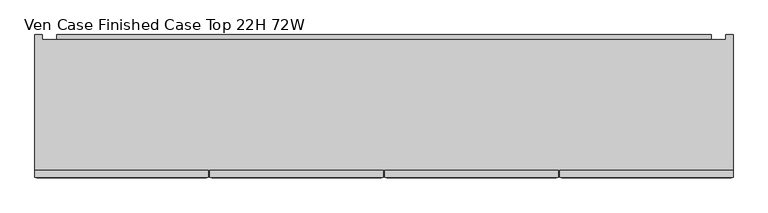
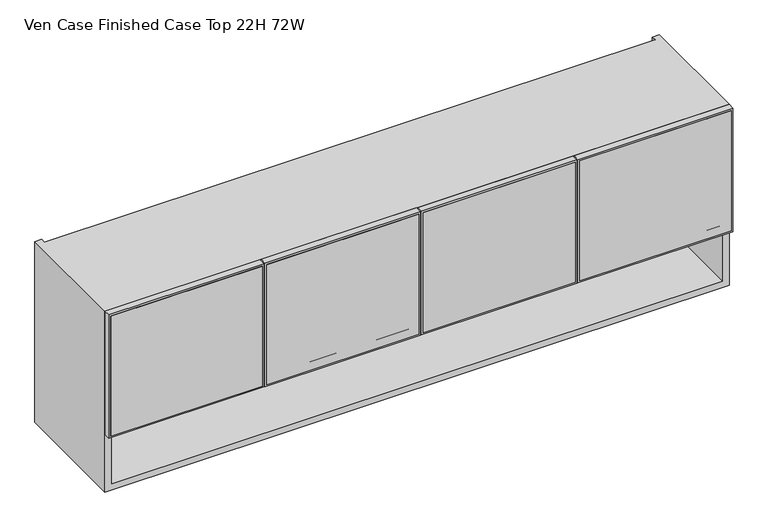
"""IFC4 building model written with IfcOpenShell, lengths in millimetres: furniture geometry, Ven Case Finished Case Top 22H 72W."""

from ifc_helpers import new_model, si_unit, frame, origin, place, context, project, spatial, polyline, outline, extrude, faceted_brep, source, transform, mapped, element, save


def ven_case_finished_case_top_22h_72w_531037ba(model_context):
    return source(origin(), model_context, "Body", "SolidModel", [
        extrude(outline(polyline([(1320.8, 456.2475), (1320.8, 910.2725), (1701.8, 910.2725), (1701.8, 456.2475), (1320.8, 456.2475)]), holes=[polyline([(1670.812, 487.2355), (1670.812, 879.2845), (1351.788, 879.2845), (1351.788, 487.2355), (1670.812, 487.2355)])]), frame((0.0, -214.8113724, 0.0), z_axis=(0.0, 1.0, 0.0), x_axis=(0.0, 0.0, 1.0)), (0.0, 0.0, 1.0), 19.304),
        extrude(outline(polyline([(1701.8, 913.4475), (1320.8, 913.4475), (1320.8, 1366.52), (1701.8, 1366.52), (1701.8, 913.4475)]), holes=[polyline([(1670.812, 1335.532), (1351.788, 1335.532), (1351.788, 944.4355), (1670.812, 944.4355), (1670.812, 1335.532)])]), frame((0.0, -214.8113724, 0.0), z_axis=(0.0, 1.0, 0.0), x_axis=(0.0, 0.0, 1.0)), (0.0, 0.0, 1.0), 19.304),
        extrude(outline(polyline([(1701.8, 453.0725), (1701.8, -0.9525), (1320.8, -0.9525), (1320.8, 453.0725), (1701.8, 453.0725)]), holes=[polyline([(1351.788, 422.0845), (1351.788, 30.0355), (1670.812, 30.0355), (1670.812, 422.0845), (1351.788, 422.0845)])]), frame((0.0, -214.8113724, 0.0), z_axis=(0.0, 1.0, 0.0), x_axis=(0.0, 0.0, 1.0)), (0.0, 0.0, 1.0), 19.304),
        extrude(outline(polyline([(1701.8, -457.2), (1320.8, -457.2), (1320.8, -4.1275), (1701.8, -4.1275), (1701.8, -457.2)]), holes=[polyline([(1670.812, -35.1155), (1351.788, -35.1155), (1351.788, -426.212), (1670.812, -426.212), (1670.812, -35.1155)])]), frame((0.0, -214.8113724, 0.0), z_axis=(0.0, 1.0, 0.0), x_axis=(0.0, 0.0, 1.0)), (0.0, 0.0, 1.0), 19.304),
        extrude(outline(polyline([(158.8226276, 1599.946), (145.5282676, 1620.62414), (145.5282676, 1682.496), (158.8226276, 1682.496), (158.8226276, 1599.946)])), frame((-399.796, 0.0, 0.0), z_axis=(1.0, 0.0, 0.0), x_axis=(0.0, 1.0, 0.0)), (0.0, 0.0, 1.0), 1708.912),
        extrude(outline(polyline([(145.5282676, 1611.63), (158.8226276, 1590.95186), (158.8226276, 1529.08), (145.5282676, 1529.08), (145.5282676, 1611.63)])), frame((-399.796, 0.0, 0.0), z_axis=(1.0, 0.0, 0.0), x_axis=(0.0, 1.0, 0.0)), (0.0, 0.0, 1.0), 1708.912),
        extrude(outline(polyline([(905.1925, -215.8273724), (461.3275, -215.8273724), (461.3275, -203.1273724), (905.1925, -203.1273724), (905.1925, -215.8273724)])), frame((0.0, 0.0, 1325.88), z_axis=(0.0, 0.0, 1.0), x_axis=(1.0, 0.0, 0.0)), (0.0, 0.0, 1.0), 370.84),
        extrude(outline(polyline([(447.9925, -215.8273724), (4.1275, -215.8273724), (4.1275, -203.1273724), (447.9925, -203.1273724), (447.9925, -215.8273724)])), frame((0.0, 0.0, 1325.88), z_axis=(0.0, 0.0, 1.0), x_axis=(1.0, 0.0, 0.0)), (0.0, 0.0, 1.0), 370.84),
        extrude(outline(polyline([(-437.896, -195.5073724), (-437.896, 126.2242676), (1347.216, 126.2242676), (1347.216, -195.5073724), (-437.896, -195.5073724)])), frame((0.0, 0.0, 1320.8), z_axis=(0.0, 0.0, 1.0), x_axis=(1.0, 0.0, 0.0)), (0.0, 0.0, 1.0), 19.939),
        extrude(outline(polyline([(-9.2075, -215.8273724), (-452.12, -215.8273724), (-452.12, -203.1273724), (-9.2075, -203.1273724), (-9.2075, -215.8273724)])), frame((0.0, 0.0, 1325.88), z_axis=(0.0, 0.0, 1.0), x_axis=(1.0, 0.0, 0.0)), (0.0, 0.0, 1.0), 370.84),
        extrude(outline(polyline([(1361.44, -215.8273724), (918.5275, -215.8273724), (918.5275, -203.1273724), (1361.44, -203.1273724), (1361.44, -215.8273724)])), frame((0.0, 0.0, 1325.88), z_axis=(0.0, 0.0, 1.0), x_axis=(1.0, 0.0, 0.0)), (0.0, 0.0, 1.0), 370.84),
        extrude(outline(polyline([(1347.216, 145.5282676), (1347.216, 126.2242676), (-437.896, 126.2242676), (-437.896, 145.5282676), (1347.216, 145.5282676)])), frame((0.0, 0.0, 1162.304), z_axis=(0.0, 0.0, 1.0), x_axis=(1.0, 0.0, 0.0)), (0.0, 0.0, 1.0), 520.192),
        faceted_brep([(-457.2, -195.5073724, 1701.8), (-457.2, -195.5073724, 1143.0), (1366.52, -195.5073724, 1143.0), (1366.52, -195.5073724, 1701.8), (-437.896, -195.5073724, 1682.496), (1347.216, -195.5073724, 1682.496), (1347.216, -195.5073724, 1162.304), (-437.896, -195.5073724, 1162.304), (1347.216, 145.5282676, 1682.496), (-437.896, 145.5282676, 1682.496), (-437.896, 145.5282676, 1701.8), (1347.216, 145.5282676, 1701.8), (1347.216, 145.5282676, 1143.0), (-437.896, 145.5282676, 1143.0), (-437.896, 145.5282676, 1162.304), (1347.216, 145.5282676, 1162.304), (1366.52, 158.8226276, 1701.8), (1347.216, 158.8226276, 1701.8), (-437.896, 158.8226276, 1701.8), (-457.2, 158.8226276, 1701.8), (-457.2, 158.8226276, 1143.0), (-437.896, 158.8226276, 1143.0), (1347.216, 158.8226276, 1143.0), (1366.52, 158.8226276, 1143.0)], [[[0, 1, 2, 3], [4, 5, 6, 7]], [[8, 9, 10, 11]], [[12, 13, 14, 15]], [[0, 3, 16, 17, 11, 10, 18, 19]], [[5, 4, 9, 8]], [[7, 6, 15, 14]], [[2, 1, 20, 21, 13, 12, 22, 23]], [[19, 18, 21, 20]], [[0, 19, 20, 1]], [[21, 18, 10, 9, 4, 7, 14, 13]], [[17, 22, 12, 15, 6, 5, 8, 11]], [[16, 3, 2, 23]], [[17, 16, 23, 22]]]),
    ])


if __name__ == "__main__":
    model = new_model("IFC4")
    model_context = context("Model", 3, world=origin())
    ifc_project = project(units=[si_unit("LENGTHUNIT", "METRE", prefix="MILLI")], contexts=[model_context])
    site = spatial("IfcSite", under=ifc_project)
    building = spatial("IfcBuilding", under=site)
    placement = place(None, origin())
    ven_case_finished_case_top_22h_72w_shape = ven_case_finished_case_top_22h_72w_531037ba(model_context)
    element("IfcFurniture", 1, ObjectType="Ven Case Finished Case Top 22H 72W", at=placement, inside=building, context=model_context, shape_type="MappedRepresentation", body=[
        mapped(ven_case_finished_case_top_22h_72w_shape, transform((0.0, 0.0, 0.0), x_axis=(1.0, 0.0, 0.0), y_axis=(0.0, 1.0, 0.0), z_axis=(0.0, 0.0, 1.0))),
    ])
    save(model, "model.ifc")
